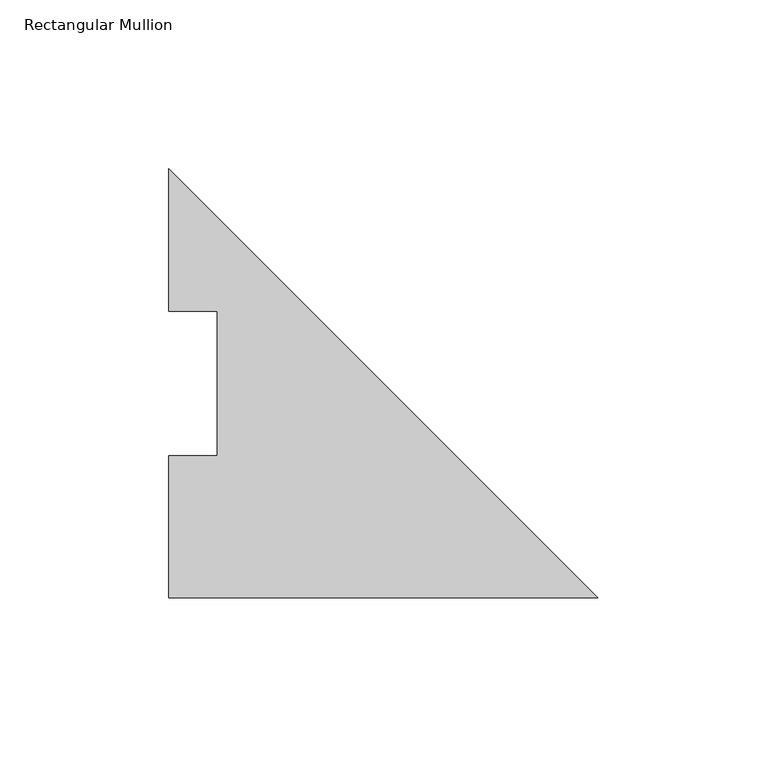
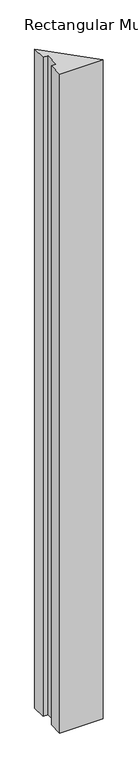
"""IFC4 building model written with IfcOpenShell, lengths in millimetres: member geometry, Rectangular Mullion."""

from ifc_helpers import new_model, si_unit, frame, origin, place, context, project, spatial, polyline, outline, extrude, source, transform, mapped, element, save


def rectangular_mullion_a63a0921(model_context):
    return source(origin(), model_context, "Body", "SweptSolid", [
        extrude(outline(polyline([(-127.0, 0.00635), (-127.0, 42.08145), (-112.7125, 42.08145), (-112.7125, 84.93125), (-127.0, 84.93125), (-127.0, 127.00635), (0.0, 0.00635), (-127.0, 0.00635)])), frame((0.0, 0.0, -2044.7227299), z_axis=(0.0, 0.0, 1.0), x_axis=(1.0, 0.0, 0.0)), (0.0, 0.0, 1.0), 2044.7227299),
    ])


if __name__ == "__main__":
    model = new_model("IFC4")
    model_context = context("Model", 3, world=origin())
    ifc_project = project(units=[si_unit("LENGTHUNIT", "METRE", prefix="MILLI")], contexts=[model_context])
    site = spatial("IfcSite", under=ifc_project)
    building = spatial("IfcBuilding", under=site)
    placement = place(None, origin())
    rectangular_mullion_shape = rectangular_mullion_a63a0921(model_context)
    element("IfcMember", 1, ObjectType="Rectangular Mullion", at=placement, inside=building, context=model_context, shape_type="MappedRepresentation", body=[
        mapped(rectangular_mullion_shape, transform((0.0, 0.0, 0.0), x_axis=(1.0, 0.0, 0.0), y_axis=(0.0, 1.0, 0.0), z_axis=(0.0, 0.0, 1.0))),
    ])
    save(model, "model.ifc")
